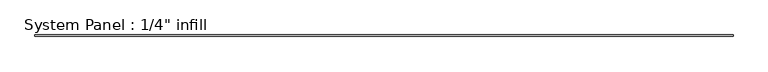
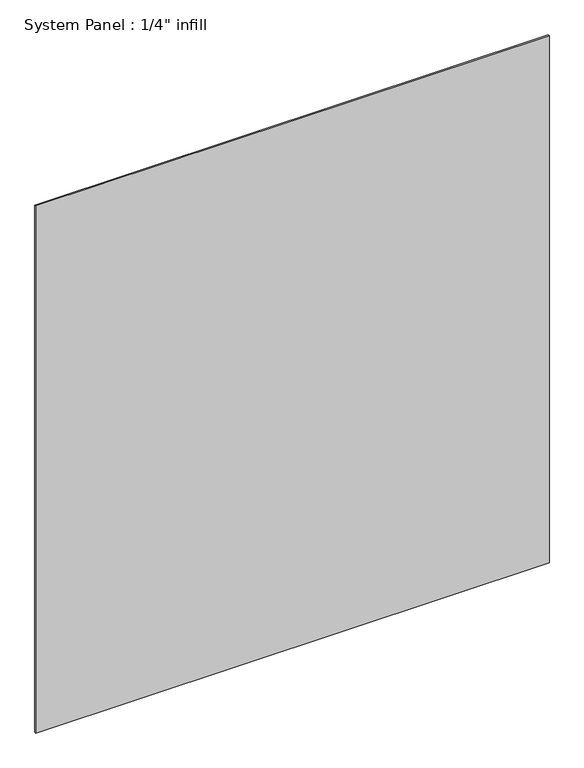
"""IFC4 building model written with IfcOpenShell, lengths in millimetres: plate geometry."""

import ifcopenshell
import ifcopenshell.guid

model = None  # the IFC model being written
_history = None  # IfcOwnerHistory: only IFC2X3 demands one
_inside = {}  # id of a spatial element -> (the spatial element, [elements in it])
_under = {}  # id of a project, library or spatial element -> (it, [spatial elements below it])
_declared = {}  # id of a project -> (the project, [libraries it declares])
_typed = {}  # id of a type object -> (the type object, [elements of that type])
_made_of = {}  # id of a material, layer set ... -> (it, [elements and type objects made of it])


def new_model(schema):
    """Start an empty IFC model of exactly this schema.

    Asked for "IFC4X3", IfcOpenShell would pick the latest addendum, in which some entities
    have other attributes; the version numbers below select the first issue.
    IFC2X3 requires an IfcOwnerHistory on every rooted entity: one is made here for all.
    """
    global model, _history
    if schema == "IFC4X3":
        model = ifcopenshell.file(schema_version=(4, 3, 0, 0))
    else:
        model = ifcopenshell.file(schema=schema)
    _inside.clear()
    _under.clear()
    _declared.clear()
    _typed.clear()
    _made_of.clear()
    _history = None
    if model.schema == "IFC2X3":
        org = make("IfcOrganization", Name="unknown")
        user = make(
            "IfcPersonAndOrganization",
            ThePerson=make("IfcPerson", FamilyName="unknown"),
            TheOrganization=org,
        )
        app = make(
            "IfcApplication",
            ApplicationDeveloper=org,
            Version="unknown",
            ApplicationFullName="unknown",
            ApplicationIdentifier="unknown",
        )
        _history = make(
            "IfcOwnerHistory",
            OwningUser=user,
            OwningApplication=app,
            ChangeAction="ADDED",
            CreationDate=0,
        )
    return model


def make(cls, **values):
    """One entity of the class cls with the attributes given. An attribute that is None is left unset."""
    return model.create_entity(
        cls, **{name: value for name, value in values.items() if value is not None}
    )


def rooted(cls, **values):
    """An entity with a GlobalId (a new one), such as an element, a storey or a relation."""
    return make(cls, GlobalId=ifcopenshell.guid.new(), OwnerHistory=_history, **values)


def si_unit(unit_type, name, prefix=None):
    """IfcSIUnit, for example si_unit("LENGTHUNIT", "METRE", prefix="MILLI")."""
    return make("IfcSIUnit", UnitType=unit_type, Prefix=prefix, Name=name)


def assignment(units):
    """IfcUnitAssignment: the units of a project."""
    return None if units is None else make("IfcUnitAssignment", Units=units)


def point(xyz):
    """IfcCartesianPoint."""
    return None if xyz is None else make("IfcCartesianPoint", Coordinates=xyz)


def direction(xyz):
    """IfcDirection."""
    return None if xyz is None else make("IfcDirection", DirectionRatios=xyz)


def frame(location, z_axis=None, x_axis=None):
    """IfcAxis2Placement3D, a coordinate frame: its origin and axes. An axis left out is left unset."""
    return make(
        "IfcAxis2Placement3D",
        Location=point(location),
        Axis=direction(z_axis),
        RefDirection=direction(x_axis),
    )


def origin():
    """The frame at (0, 0, 0) with its axes left unset."""
    return frame((0.0, 0.0, 0.0))


def origin_with_axes():
    """The frame at (0, 0, 0) with the z axis (0, 0, 1) and the x axis (1, 0, 0) written out."""
    return frame((0.0, 0.0, 0.0), z_axis=(0.0, 0.0, 1.0), x_axis=(1.0, 0.0, 0.0))


def place(relative_to, where):
    """IfcLocalPlacement: puts the frame where relative to a parent placement (None: the world)."""
    return make(
        "IfcLocalPlacement", PlacementRelTo=relative_to, RelativePlacement=where
    )


def context(
    kind, dimensions, precision=None, world=None, true_north=None, identifier=None
):
    """IfcGeometricRepresentationContext, for example the 3D "Model" context."""
    return make(
        "IfcGeometricRepresentationContext",
        ContextIdentifier=identifier,
        ContextType=kind,
        CoordinateSpaceDimension=dimensions,
        Precision=precision,
        WorldCoordinateSystem=world,
        TrueNorth=true_north,
    )


def project(units=None, contexts=None):
    """IfcProject with its units and contexts."""
    return rooted(
        "IfcProject",
        Name="project",
        RepresentationContexts=contexts,
        UnitsInContext=assignment(units),
    )


def spatial(cls, under=None, at=None, **own):
    """A site, building, storey or space (cls), placed at a placement, below another one or the project."""
    s = rooted(cls, ObjectPlacement=at, **own)
    if under is not None:
        _under.setdefault(under.id(), (under, []))[1].append(s)
    return s


def polyline(points):
    """IfcPolyline through the points."""
    return make("IfcPolyline", Points=[point(p) for p in points])


def outline(outer, holes=None, kind="AREA"):
    """IfcArbitraryClosedProfileDef: a profile drawn as a closed curve; with holes, ...WithVoids."""
    if holes is None:
        return make("IfcArbitraryClosedProfileDef", ProfileType=kind, OuterCurve=outer)
    return make(
        "IfcArbitraryProfileDefWithVoids",
        ProfileType=kind,
        OuterCurve=outer,
        InnerCurves=holes,
    )


def extrude(swept, where, along, depth):
    """IfcExtrudedAreaSolid: the profile swept, set in the frame where, extruded along a direction by depth."""
    return make(
        "IfcExtrudedAreaSolid",
        SweptArea=swept,
        Position=where,
        ExtrudedDirection=direction(along),
        Depth=depth,
    )


def shape(context_of_items, identifier, shape_type, items):
    """IfcShapeRepresentation: the items that make up one representation, for example the "Body"."""
    return make(
        "IfcShapeRepresentation",
        ContextOfItems=context_of_items,
        RepresentationIdentifier=identifier,
        RepresentationType=shape_type,
        Items=items,
    )


def source(mapping_origin, context_of_items, identifier, shape_type, items):
    """IfcRepresentationMap: a shape defined once, which mapped items show again and again."""
    return make(
        "IfcRepresentationMap",
        MappingOrigin=mapping_origin,
        MappedRepresentation=shape(context_of_items, identifier, shape_type, items),
    )


def transform(
    local_origin,
    x_axis=None,
    y_axis=None,
    z_axis=None,
    scale=None,
    scale2=None,
    scale3=None,
    uniform=True,
):
    """IfcCartesianTransformationOperator3D, or its non-uniform kind. x_axis, y_axis, z_axis: its Axis1, 2, 3."""
    if uniform:
        return make(
            "IfcCartesianTransformationOperator3D",
            Axis1=direction(x_axis),
            Axis2=direction(y_axis),
            LocalOrigin=point(local_origin),
            Scale=scale,
            Axis3=direction(z_axis),
        )
    return make(
        "IfcCartesianTransformationOperator3DnonUniform",
        Axis1=direction(x_axis),
        Axis2=direction(y_axis),
        LocalOrigin=point(local_origin),
        Scale=scale,
        Axis3=direction(z_axis),
        Scale2=scale2,
        Scale3=scale3,
    )


def mapped(mapping_source, mapping_target):
    """IfcMappedItem: shows the shape of a source again, moved by a transform."""
    return make(
        "IfcMappedItem", MappingSource=mapping_source, MappingTarget=mapping_target
    )


def made_of(thing, what):
    """Note that an element or type object is made of a material, layer set ...; save() writes the relation."""
    if what is not None:
        _made_of.setdefault(what.id(), (what, []))[1].append(thing)
    return thing


def element(
    cls,
    number,
    at=None,
    inside=None,
    cuts=None,
    type_object=None,
    material=None,
    context=None,
    identifier="Body",
    shape_type=None,
    held_by="IfcProductDefinitionShape",
    body=None,
    shapes=None,
    **own,
):
    """One element of the class cls, such as IfcWall. Its Tag is "e" and its number.

    at: its placement. inside: the storey or other place that contains it. cuts: it is an
    opening in that element (IfcRelVoidsElement). A single representation is given by context,
    identifier, shape_type and body (its items); several are given by shapes. held_by: the class
    of the entity that holds the representations. save() writes the other relations.
    """
    e = rooted(cls, Tag="e%d" % number, ObjectPlacement=at, **own)
    if body is not None:
        shapes = [shape(context, identifier, shape_type, body)]
    if shapes is not None:
        e.Representation = make(held_by, Representations=shapes)
    if inside is not None:
        _inside.setdefault(inside.id(), (inside, []))[1].append(e)
    if cuts is not None:
        rooted(
            "IfcRelVoidsElement", RelatingBuildingElement=cuts, RelatedOpeningElement=e
        )
    if type_object is not None:
        _typed.setdefault(type_object.id(), (type_object, []))[1].append(e)
    return made_of(e, material)


def aggregate(whole, parts):
    """IfcRelAggregates: a whole, such as a stair, and the parts it consists of."""
    return rooted("IfcRelAggregates", RelatingObject=whole, RelatedObjects=parts)


def save(model, path):
    """Write the relations noted so far, then the file.

    IfcRelAggregates (storeys below a building ...), IfcRelContainedInSpatialStructure (elements
    in a storey), IfcRelDefinesByType, IfcRelAssociatesMaterial and IfcRelDeclares: one each for
    every whole, place, type object, material and project.
    """
    for whole, parts in _under.values():
        aggregate(whole, parts)
    for where, things in _inside.values():
        rooted(
            "IfcRelContainedInSpatialStructure",
            RelatedElements=things,
            RelatingStructure=where,
        )
    for kind, things in _typed.values():
        rooted("IfcRelDefinesByType", RelatedObjects=things, RelatingType=kind)
    for what, things in _made_of.values():
        rooted("IfcRelAssociatesMaterial", RelatedObjects=things, RelatingMaterial=what)
    for by, libraries in _declared.values():
        rooted("IfcRelDeclares", RelatingContext=by, RelatedDefinitions=libraries)
    model.write(path)


def plate_182cbd47(model_context):
    return source(origin(), model_context, "Body", "SweptSolid", [
        extrude(outline(polyline([(1404.9680491, -6.35), (-1404.9680491, -6.35), (-1404.9680491, 0.0), (1404.9680491, 0.0), (1404.9680491, -6.35)])), origin_with_axes(), (0.0, 0.0, 1.0), 3048.0),
    ])


if __name__ == "__main__":
    model = new_model("IFC4")
    model_context = context("Model", 3, world=origin())
    ifc_project = project(units=[si_unit("LENGTHUNIT", "METRE", prefix="MILLI")], contexts=[model_context])
    site = spatial("IfcSite", under=ifc_project)
    building = spatial("IfcBuilding", under=site)
    placement = place(None, origin())
    plate_shape = plate_182cbd47(model_context)
    element("IfcPlate", 1, ObjectType="System Panel : 1/4\" infill", at=placement, inside=building, context=model_context, shape_type="MappedRepresentation", body=[
        mapped(plate_shape, transform((0.0, 0.0, 0.0), x_axis=(1.0, 0.0, 0.0), y_axis=(0.0, 1.0, 0.0), z_axis=(0.0, 0.0, 1.0))),
    ])
    save(model, "model.ifc")
